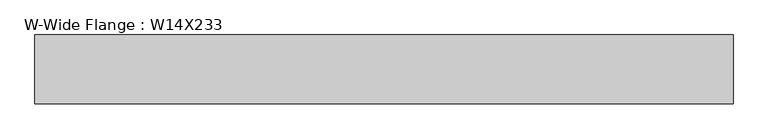
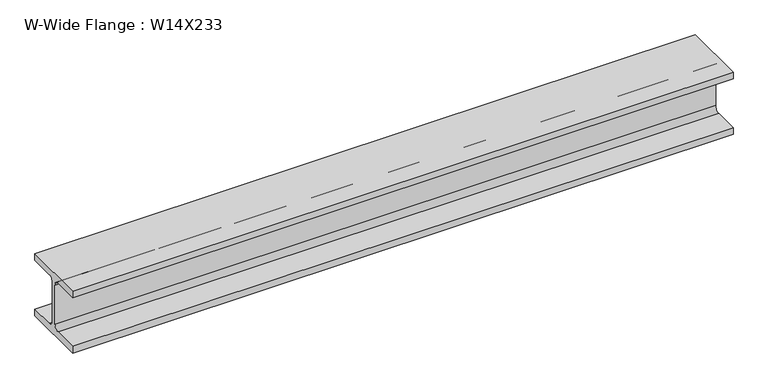
"""IFC4 building model written with IfcOpenShell, lengths in millimetres: beam geometry, W-Wide Flange : W14X233."""

from ifc_helpers import new_model, si_unit, point, frame, frame_2d, origin, place, context, project, spatial, polyline, circle_curve, trimmed, segment, composite_curve, outline, extrude, source, transform, mapped, element, save


def w_wide_flange_w14x233_4231a341(model_context):
    return source(origin(), model_context, "Body", "SweptSolid", [
        extrude(outline(composite_curve([segment(polyline([(201.93, -159.512), (201.93, -203.2), (-201.93, -203.2), (-201.93, -159.512), (-46.101, -159.512)]), True, "CONTINUOUS"), segment(trimmed(circle_curve(frame_2d((-46.101, -127.0)), 32.512), [point((-46.101, -159.512))], [point((-13.589, -127.0))], True, "CARTESIAN"), True, "CONTINUOUS"), segment(polyline([(-13.589, -127.0), (-13.589, 127.0)]), True, "CONTINUOUS"), segment(trimmed(circle_curve(frame_2d((-46.101, 127.0)), 32.512), [point((-13.589, 127.0))], [point((-46.101, 159.512))], True, "CARTESIAN"), True, "CONTINUOUS"), segment(polyline([(-46.101, 159.512), (-201.93, 159.512), (-201.93, 203.2), (201.93, 203.2), (201.93, 159.512), (46.101, 159.512)]), True, "CONTINUOUS"), segment(trimmed(circle_curve(frame_2d((46.101, 127.0)), 32.512), [point((46.101, 159.512))], [point((13.589, 127.0))], True, "CARTESIAN"), True, "CONTINUOUS"), segment(polyline([(13.589, 127.0), (13.589, -127.0)]), True, "CONTINUOUS"), segment(trimmed(circle_curve(frame_2d((46.101, -127.0)), 32.512), [point((13.589, -127.0))], [point((46.101, -159.512))], True, "CARTESIAN"), True, "CONTINUOUS"), segment(polyline([(46.101, -159.512), (201.93, -159.512)]), True, "CONTINUOUS")], self_intersect=False)), frame((-1924.2591659, 0.0, 0.0), z_axis=(1.0, 0.0, 0.0), x_axis=(0.0, 1.0, 0.0)), (0.0, 0.0, 1.0), 4093.4072289),
    ])


if __name__ == "__main__":
    model = new_model("IFC4")
    model_context = context("Model", 3, world=origin())
    ifc_project = project(units=[si_unit("LENGTHUNIT", "METRE", prefix="MILLI")], contexts=[model_context])
    site = spatial("IfcSite", under=ifc_project)
    building = spatial("IfcBuilding", under=site)
    placement = place(None, origin())
    w_wide_flange_w14x233_shape = w_wide_flange_w14x233_4231a341(model_context)
    element("IfcBeam", 1, ObjectType="W-Wide Flange : W14X233", at=placement, inside=building, context=model_context, shape_type="MappedRepresentation", body=[
        mapped(w_wide_flange_w14x233_shape, transform((0.0, 0.0, 0.0), x_axis=(1.0, 0.0, 0.0), y_axis=(0.0, 1.0, 0.0), z_axis=(0.0, 0.0, 1.0))),
    ])
    save(model, "model.ifc")
